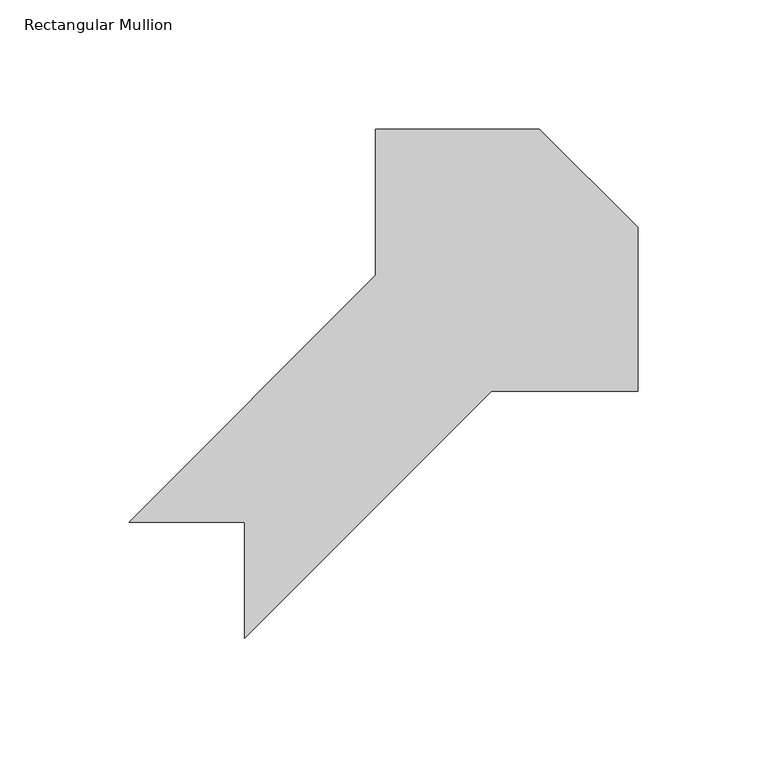
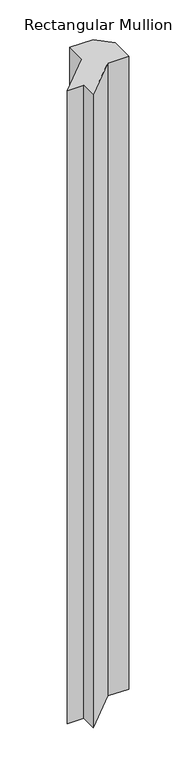
"""IFC4 building model written with IfcOpenShell, lengths in millimetres: member geometry, Rectangular Mullion."""

import ifcopenshell
import ifcopenshell.guid

model = None  # the IFC model being written
_history = None  # IfcOwnerHistory: only IFC2X3 demands one
_inside = {}  # id of a spatial element -> (the spatial element, [elements in it])
_under = {}  # id of a project, library or spatial element -> (it, [spatial elements below it])
_declared = {}  # id of a project -> (the project, [libraries it declares])
_typed = {}  # id of a type object -> (the type object, [elements of that type])
_made_of = {}  # id of a material, layer set ... -> (it, [elements and type objects made of it])


def new_model(schema):
    """Start an empty IFC model of exactly this schema.

    Asked for "IFC4X3", IfcOpenShell would pick the latest addendum, in which some entities
    have other attributes; the version numbers below select the first issue.
    IFC2X3 requires an IfcOwnerHistory on every rooted entity: one is made here for all.
    """
    global model, _history
    if schema == "IFC4X3":
        model = ifcopenshell.file(schema_version=(4, 3, 0, 0))
    else:
        model = ifcopenshell.file(schema=schema)
    _inside.clear()
    _under.clear()
    _declared.clear()
    _typed.clear()
    _made_of.clear()
    _history = None
    if model.schema == "IFC2X3":
        org = make("IfcOrganization", Name="unknown")
        user = make(
            "IfcPersonAndOrganization",
            ThePerson=make("IfcPerson", FamilyName="unknown"),
            TheOrganization=org,
        )
        app = make(
            "IfcApplication",
            ApplicationDeveloper=org,
            Version="unknown",
            ApplicationFullName="unknown",
            ApplicationIdentifier="unknown",
        )
        _history = make(
            "IfcOwnerHistory",
            OwningUser=user,
            OwningApplication=app,
            ChangeAction="ADDED",
            CreationDate=0,
        )
    return model


def make(cls, **values):
    """One entity of the class cls with the attributes given. An attribute that is None is left unset."""
    return model.create_entity(
        cls, **{name: value for name, value in values.items() if value is not None}
    )


def rooted(cls, **values):
    """An entity with a GlobalId (a new one), such as an element, a storey or a relation."""
    return make(cls, GlobalId=ifcopenshell.guid.new(), OwnerHistory=_history, **values)


def si_unit(unit_type, name, prefix=None):
    """IfcSIUnit, for example si_unit("LENGTHUNIT", "METRE", prefix="MILLI")."""
    return make("IfcSIUnit", UnitType=unit_type, Prefix=prefix, Name=name)


def assignment(units):
    """IfcUnitAssignment: the units of a project."""
    return None if units is None else make("IfcUnitAssignment", Units=units)


def point(xyz):
    """IfcCartesianPoint."""
    return None if xyz is None else make("IfcCartesianPoint", Coordinates=xyz)


def direction(xyz):
    """IfcDirection."""
    return None if xyz is None else make("IfcDirection", DirectionRatios=xyz)


def frame(location, z_axis=None, x_axis=None):
    """IfcAxis2Placement3D, a coordinate frame: its origin and axes. An axis left out is left unset."""
    return make(
        "IfcAxis2Placement3D",
        Location=point(location),
        Axis=direction(z_axis),
        RefDirection=direction(x_axis),
    )


def origin():
    """The frame at (0, 0, 0) with its axes left unset."""
    return frame((0.0, 0.0, 0.0))


def place(relative_to, where):
    """IfcLocalPlacement: puts the frame where relative to a parent placement (None: the world)."""
    return make(
        "IfcLocalPlacement", PlacementRelTo=relative_to, RelativePlacement=where
    )


def context(
    kind, dimensions, precision=None, world=None, true_north=None, identifier=None
):
    """IfcGeometricRepresentationContext, for example the 3D "Model" context."""
    return make(
        "IfcGeometricRepresentationContext",
        ContextIdentifier=identifier,
        ContextType=kind,
        CoordinateSpaceDimension=dimensions,
        Precision=precision,
        WorldCoordinateSystem=world,
        TrueNorth=true_north,
    )


def project(units=None, contexts=None):
    """IfcProject with its units and contexts."""
    return rooted(
        "IfcProject",
        Name="project",
        RepresentationContexts=contexts,
        UnitsInContext=assignment(units),
    )


def spatial(cls, under=None, at=None, **own):
    """A site, building, storey or space (cls), placed at a placement, below another one or the project."""
    s = rooted(cls, ObjectPlacement=at, **own)
    if under is not None:
        _under.setdefault(under.id(), (under, []))[1].append(s)
    return s


def polyline(points):
    """IfcPolyline through the points."""
    return make("IfcPolyline", Points=[point(p) for p in points])


def outline(outer, holes=None, kind="AREA"):
    """IfcArbitraryClosedProfileDef: a profile drawn as a closed curve; with holes, ...WithVoids."""
    if holes is None:
        return make("IfcArbitraryClosedProfileDef", ProfileType=kind, OuterCurve=outer)
    return make(
        "IfcArbitraryProfileDefWithVoids",
        ProfileType=kind,
        OuterCurve=outer,
        InnerCurves=holes,
    )


def extrude(swept, where, along, depth):
    """IfcExtrudedAreaSolid: the profile swept, set in the frame where, extruded along a direction by depth."""
    return make(
        "IfcExtrudedAreaSolid",
        SweptArea=swept,
        Position=where,
        ExtrudedDirection=direction(along),
        Depth=depth,
    )


def shape(context_of_items, identifier, shape_type, items):
    """IfcShapeRepresentation: the items that make up one representation, for example the "Body"."""
    return make(
        "IfcShapeRepresentation",
        ContextOfItems=context_of_items,
        RepresentationIdentifier=identifier,
        RepresentationType=shape_type,
        Items=items,
    )


def source(mapping_origin, context_of_items, identifier, shape_type, items):
    """IfcRepresentationMap: a shape defined once, which mapped items show again and again."""
    return make(
        "IfcRepresentationMap",
        MappingOrigin=mapping_origin,
        MappedRepresentation=shape(context_of_items, identifier, shape_type, items),
    )


def transform(
    local_origin,
    x_axis=None,
    y_axis=None,
    z_axis=None,
    scale=None,
    scale2=None,
    scale3=None,
    uniform=True,
):
    """IfcCartesianTransformationOperator3D, or its non-uniform kind. x_axis, y_axis, z_axis: its Axis1, 2, 3."""
    if uniform:
        return make(
            "IfcCartesianTransformationOperator3D",
            Axis1=direction(x_axis),
            Axis2=direction(y_axis),
            LocalOrigin=point(local_origin),
            Scale=scale,
            Axis3=direction(z_axis),
        )
    return make(
        "IfcCartesianTransformationOperator3DnonUniform",
        Axis1=direction(x_axis),
        Axis2=direction(y_axis),
        LocalOrigin=point(local_origin),
        Scale=scale,
        Axis3=direction(z_axis),
        Scale2=scale2,
        Scale3=scale3,
    )


def mapped(mapping_source, mapping_target):
    """IfcMappedItem: shows the shape of a source again, moved by a transform."""
    return make(
        "IfcMappedItem", MappingSource=mapping_source, MappingTarget=mapping_target
    )


def made_of(thing, what):
    """Note that an element or type object is made of a material, layer set ...; save() writes the relation."""
    if what is not None:
        _made_of.setdefault(what.id(), (what, []))[1].append(thing)
    return thing


def element(
    cls,
    number,
    at=None,
    inside=None,
    cuts=None,
    type_object=None,
    material=None,
    context=None,
    identifier="Body",
    shape_type=None,
    held_by="IfcProductDefinitionShape",
    body=None,
    shapes=None,
    **own,
):
    """One element of the class cls, such as IfcWall. Its Tag is "e" and its number.

    at: its placement. inside: the storey or other place that contains it. cuts: it is an
    opening in that element (IfcRelVoidsElement). A single representation is given by context,
    identifier, shape_type and body (its items); several are given by shapes. held_by: the class
    of the entity that holds the representations. save() writes the other relations.
    """
    e = rooted(cls, Tag="e%d" % number, ObjectPlacement=at, **own)
    if body is not None:
        shapes = [shape(context, identifier, shape_type, body)]
    if shapes is not None:
        e.Representation = make(held_by, Representations=shapes)
    if inside is not None:
        _inside.setdefault(inside.id(), (inside, []))[1].append(e)
    if cuts is not None:
        rooted(
            "IfcRelVoidsElement", RelatingBuildingElement=cuts, RelatedOpeningElement=e
        )
    if type_object is not None:
        _typed.setdefault(type_object.id(), (type_object, []))[1].append(e)
    return made_of(e, material)


def aggregate(whole, parts):
    """IfcRelAggregates: a whole, such as a stair, and the parts it consists of."""
    return rooted("IfcRelAggregates", RelatingObject=whole, RelatedObjects=parts)


def save(model, path):
    """Write the relations noted so far, then the file.

    IfcRelAggregates (storeys below a building ...), IfcRelContainedInSpatialStructure (elements
    in a storey), IfcRelDefinesByType, IfcRelAssociatesMaterial and IfcRelDeclares: one each for
    every whole, place, type object, material and project.
    """
    for whole, parts in _under.values():
        aggregate(whole, parts)
    for where, things in _inside.values():
        rooted(
            "IfcRelContainedInSpatialStructure",
            RelatedElements=things,
            RelatingStructure=where,
        )
    for kind, things in _typed.values():
        rooted("IfcRelDefinesByType", RelatedObjects=things, RelatingType=kind)
    for what, things in _made_of.values():
        rooted("IfcRelAssociatesMaterial", RelatedObjects=things, RelatingMaterial=what)
    for by, libraries in _declared.values():
        rooted("IfcRelDeclares", RelatingContext=by, RelatedDefinitions=libraries)
    model.write(path)


def rectangular_mullion_1230779c(model_context):
    return source(origin(), model_context, "Body", "SweptSolid", [
        extrude(outline(polyline([(-114.2544391, -159.2012806), (-114.2544391, -114.3), (-159.1557197, -114.3), (-63.4544391, -18.5987194), (-63.4544391, 38.1), (0.0455519, 38.1), (38.1455609, -9e-06), (38.1455609, -63.5), (-18.5531585, -63.5), (-114.2544391, -159.2012806)])), frame((0.0, 0.0, -1828.8), z_axis=(0.0, 0.0, 1.0), x_axis=(1.0, 0.0, 0.0)), (0.0, 0.0, 1.0), 1828.8),
    ])


if __name__ == "__main__":
    model = new_model("IFC4")
    model_context = context("Model", 3, world=origin())
    ifc_project = project(units=[si_unit("LENGTHUNIT", "METRE", prefix="MILLI")], contexts=[model_context])
    site = spatial("IfcSite", under=ifc_project)
    building = spatial("IfcBuilding", under=site)
    placement = place(None, origin())
    rectangular_mullion_shape = rectangular_mullion_1230779c(model_context)
    element("IfcMember", 1, ObjectType="Rectangular Mullion", at=placement, inside=building, context=model_context, shape_type="MappedRepresentation", body=[
        mapped(rectangular_mullion_shape, transform((0.0, 0.0, 0.0), x_axis=(1.0, 0.0, 0.0), y_axis=(0.0, 1.0, 0.0), z_axis=(0.0, 0.0, 1.0))),
    ])
    save(model, "model.ifc")
